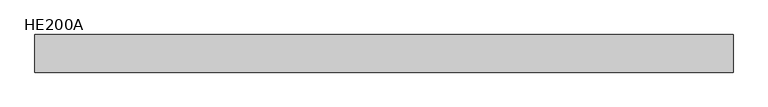
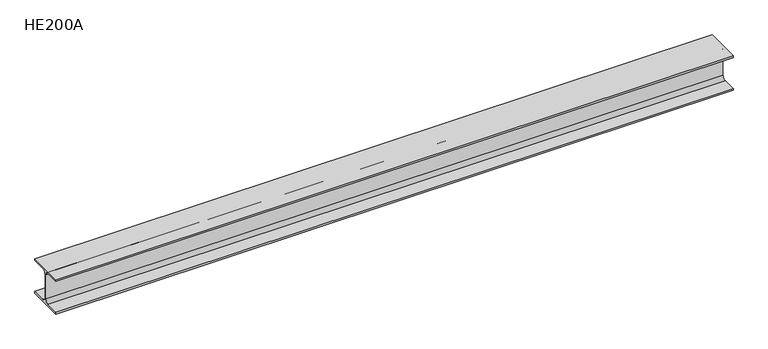
"""IFC4 building model written with IfcOpenShell, lengths in millimetres: beam geometry, HE200A."""

import ifcopenshell
import ifcopenshell.guid

model = None  # the IFC model being written
_history = None  # IfcOwnerHistory: only IFC2X3 demands one
_inside = {}  # id of a spatial element -> (the spatial element, [elements in it])
_under = {}  # id of a project, library or spatial element -> (it, [spatial elements below it])
_declared = {}  # id of a project -> (the project, [libraries it declares])
_typed = {}  # id of a type object -> (the type object, [elements of that type])
_made_of = {}  # id of a material, layer set ... -> (it, [elements and type objects made of it])


def new_model(schema):
    """Start an empty IFC model of exactly this schema.

    Asked for "IFC4X3", IfcOpenShell would pick the latest addendum, in which some entities
    have other attributes; the version numbers below select the first issue.
    IFC2X3 requires an IfcOwnerHistory on every rooted entity: one is made here for all.
    """
    global model, _history
    if schema == "IFC4X3":
        model = ifcopenshell.file(schema_version=(4, 3, 0, 0))
    else:
        model = ifcopenshell.file(schema=schema)
    _inside.clear()
    _under.clear()
    _declared.clear()
    _typed.clear()
    _made_of.clear()
    _history = None
    if model.schema == "IFC2X3":
        org = make("IfcOrganization", Name="unknown")
        user = make(
            "IfcPersonAndOrganization",
            ThePerson=make("IfcPerson", FamilyName="unknown"),
            TheOrganization=org,
        )
        app = make(
            "IfcApplication",
            ApplicationDeveloper=org,
            Version="unknown",
            ApplicationFullName="unknown",
            ApplicationIdentifier="unknown",
        )
        _history = make(
            "IfcOwnerHistory",
            OwningUser=user,
            OwningApplication=app,
            ChangeAction="ADDED",
            CreationDate=0,
        )
    return model


def make(cls, **values):
    """One entity of the class cls with the attributes given. An attribute that is None is left unset."""
    return model.create_entity(
        cls, **{name: value for name, value in values.items() if value is not None}
    )


def rooted(cls, **values):
    """An entity with a GlobalId (a new one), such as an element, a storey or a relation."""
    return make(cls, GlobalId=ifcopenshell.guid.new(), OwnerHistory=_history, **values)


def si_unit(unit_type, name, prefix=None):
    """IfcSIUnit, for example si_unit("LENGTHUNIT", "METRE", prefix="MILLI")."""
    return make("IfcSIUnit", UnitType=unit_type, Prefix=prefix, Name=name)


def assignment(units):
    """IfcUnitAssignment: the units of a project."""
    return None if units is None else make("IfcUnitAssignment", Units=units)


def point(xyz):
    """IfcCartesianPoint."""
    return None if xyz is None else make("IfcCartesianPoint", Coordinates=xyz)


def direction(xyz):
    """IfcDirection."""
    return None if xyz is None else make("IfcDirection", DirectionRatios=xyz)


def frame(location, z_axis=None, x_axis=None):
    """IfcAxis2Placement3D, a coordinate frame: its origin and axes. An axis left out is left unset."""
    return make(
        "IfcAxis2Placement3D",
        Location=point(location),
        Axis=direction(z_axis),
        RefDirection=direction(x_axis),
    )


def frame_2d(location, x_axis=None):
    """IfcAxis2Placement2D, a coordinate frame in the plane: its origin and x axis."""
    return make(
        "IfcAxis2Placement2D", Location=point(location), RefDirection=direction(x_axis)
    )


def origin():
    """The frame at (0, 0, 0) with its axes left unset."""
    return frame((0.0, 0.0, 0.0))


def place(relative_to, where):
    """IfcLocalPlacement: puts the frame where relative to a parent placement (None: the world)."""
    return make(
        "IfcLocalPlacement", PlacementRelTo=relative_to, RelativePlacement=where
    )


def context(
    kind, dimensions, precision=None, world=None, true_north=None, identifier=None
):
    """IfcGeometricRepresentationContext, for example the 3D "Model" context."""
    return make(
        "IfcGeometricRepresentationContext",
        ContextIdentifier=identifier,
        ContextType=kind,
        CoordinateSpaceDimension=dimensions,
        Precision=precision,
        WorldCoordinateSystem=world,
        TrueNorth=true_north,
    )


def project(units=None, contexts=None):
    """IfcProject with its units and contexts."""
    return rooted(
        "IfcProject",
        Name="project",
        RepresentationContexts=contexts,
        UnitsInContext=assignment(units),
    )


def spatial(cls, under=None, at=None, **own):
    """A site, building, storey or space (cls), placed at a placement, below another one or the project."""
    s = rooted(cls, ObjectPlacement=at, **own)
    if under is not None:
        _under.setdefault(under.id(), (under, []))[1].append(s)
    return s


def polyline(points):
    """IfcPolyline through the points."""
    return make("IfcPolyline", Points=[point(p) for p in points])


def circle_curve(where, radius):
    """IfcCircle in the frame where."""
    return make("IfcCircle", Position=where, Radius=radius)


def trimmed(basis, trim1, trim2, sense, master):
    """IfcTrimmedCurve: the piece of a basis curve between two trims."""
    return make(
        "IfcTrimmedCurve",
        BasisCurve=basis,
        Trim1=trim1,
        Trim2=trim2,
        SenseAgreement=sense,
        MasterRepresentation=master,
    )


def segment(curve, same_sense, transition):
    """IfcCompositeCurveSegment."""
    return make(
        "IfcCompositeCurveSegment",
        Transition=transition,
        SameSense=same_sense,
        ParentCurve=curve,
    )


def composite_curve(segments, self_intersect=None):
    """IfcCompositeCurve: segments joined end to end."""
    return make("IfcCompositeCurve", Segments=segments, SelfIntersect=self_intersect)


def outline(outer, holes=None, kind="AREA"):
    """IfcArbitraryClosedProfileDef: a profile drawn as a closed curve; with holes, ...WithVoids."""
    if holes is None:
        return make("IfcArbitraryClosedProfileDef", ProfileType=kind, OuterCurve=outer)
    return make(
        "IfcArbitraryProfileDefWithVoids",
        ProfileType=kind,
        OuterCurve=outer,
        InnerCurves=holes,
    )


def extrude(swept, where, along, depth):
    """IfcExtrudedAreaSolid: the profile swept, set in the frame where, extruded along a direction by depth."""
    return make(
        "IfcExtrudedAreaSolid",
        SweptArea=swept,
        Position=where,
        ExtrudedDirection=direction(along),
        Depth=depth,
    )


def shape(context_of_items, identifier, shape_type, items):
    """IfcShapeRepresentation: the items that make up one representation, for example the "Body"."""
    return make(
        "IfcShapeRepresentation",
        ContextOfItems=context_of_items,
        RepresentationIdentifier=identifier,
        RepresentationType=shape_type,
        Items=items,
    )


def source(mapping_origin, context_of_items, identifier, shape_type, items):
    """IfcRepresentationMap: a shape defined once, which mapped items show again and again."""
    return make(
        "IfcRepresentationMap",
        MappingOrigin=mapping_origin,
        MappedRepresentation=shape(context_of_items, identifier, shape_type, items),
    )


def transform(
    local_origin,
    x_axis=None,
    y_axis=None,
    z_axis=None,
    scale=None,
    scale2=None,
    scale3=None,
    uniform=True,
):
    """IfcCartesianTransformationOperator3D, or its non-uniform kind. x_axis, y_axis, z_axis: its Axis1, 2, 3."""
    if uniform:
        return make(
            "IfcCartesianTransformationOperator3D",
            Axis1=direction(x_axis),
            Axis2=direction(y_axis),
            LocalOrigin=point(local_origin),
            Scale=scale,
            Axis3=direction(z_axis),
        )
    return make(
        "IfcCartesianTransformationOperator3DnonUniform",
        Axis1=direction(x_axis),
        Axis2=direction(y_axis),
        LocalOrigin=point(local_origin),
        Scale=scale,
        Axis3=direction(z_axis),
        Scale2=scale2,
        Scale3=scale3,
    )


def mapped(mapping_source, mapping_target):
    """IfcMappedItem: shows the shape of a source again, moved by a transform."""
    return make(
        "IfcMappedItem", MappingSource=mapping_source, MappingTarget=mapping_target
    )


def made_of(thing, what):
    """Note that an element or type object is made of a material, layer set ...; save() writes the relation."""
    if what is not None:
        _made_of.setdefault(what.id(), (what, []))[1].append(thing)
    return thing


def element(
    cls,
    number,
    at=None,
    inside=None,
    cuts=None,
    type_object=None,
    material=None,
    context=None,
    identifier="Body",
    shape_type=None,
    held_by="IfcProductDefinitionShape",
    body=None,
    shapes=None,
    **own,
):
    """One element of the class cls, such as IfcWall. Its Tag is "e" and its number.

    at: its placement. inside: the storey or other place that contains it. cuts: it is an
    opening in that element (IfcRelVoidsElement). A single representation is given by context,
    identifier, shape_type and body (its items); several are given by shapes. held_by: the class
    of the entity that holds the representations. save() writes the other relations.
    """
    e = rooted(cls, Tag="e%d" % number, ObjectPlacement=at, **own)
    if body is not None:
        shapes = [shape(context, identifier, shape_type, body)]
    if shapes is not None:
        e.Representation = make(held_by, Representations=shapes)
    if inside is not None:
        _inside.setdefault(inside.id(), (inside, []))[1].append(e)
    if cuts is not None:
        rooted(
            "IfcRelVoidsElement", RelatingBuildingElement=cuts, RelatedOpeningElement=e
        )
    if type_object is not None:
        _typed.setdefault(type_object.id(), (type_object, []))[1].append(e)
    return made_of(e, material)


def aggregate(whole, parts):
    """IfcRelAggregates: a whole, such as a stair, and the parts it consists of."""
    return rooted("IfcRelAggregates", RelatingObject=whole, RelatedObjects=parts)


def save(model, path):
    """Write the relations noted so far, then the file.

    IfcRelAggregates (storeys below a building ...), IfcRelContainedInSpatialStructure (elements
    in a storey), IfcRelDefinesByType, IfcRelAssociatesMaterial and IfcRelDeclares: one each for
    every whole, place, type object, material and project.
    """
    for whole, parts in _under.values():
        aggregate(whole, parts)
    for where, things in _inside.values():
        rooted(
            "IfcRelContainedInSpatialStructure",
            RelatedElements=things,
            RelatingStructure=where,
        )
    for kind, things in _typed.values():
        rooted("IfcRelDefinesByType", RelatedObjects=things, RelatingType=kind)
    for what, things in _made_of.values():
        rooted("IfcRelAssociatesMaterial", RelatedObjects=things, RelatingMaterial=what)
    for by, libraries in _declared.values():
        rooted("IfcRelDeclares", RelatingContext=by, RelatedDefinitions=libraries)
    model.write(path)


def he200a_33309dc8(model_context):
    return source(origin(), model_context, "Body", "SweptSolid", [
        extrude(outline(composite_curve([segment(polyline([(100.0, -90.0), (100.0, -100.0), (-100.0, -100.0), (-100.0, -90.0), (-24.0, -90.0)]), True, "CONTINUOUS"), segment(trimmed(circle_curve(frame_2d((-24.0, -70.0)), 20.0), [point((-24.0, -90.0))], [point((-4.0, -70.0))], True, "CARTESIAN"), True, "CONTINUOUS"), segment(polyline([(-4.0, -70.0), (-4.0, 70.0)]), True, "CONTINUOUS"), segment(trimmed(circle_curve(frame_2d((-24.0, 70.0)), 20.0), [point((-4.0, 70.0))], [point((-24.0, 90.0))], True, "CARTESIAN"), True, "CONTINUOUS"), segment(polyline([(-24.0, 90.0), (-100.0, 90.0), (-100.0, 100.0), (100.0, 100.0), (100.0, 90.0), (24.0, 90.0)]), True, "CONTINUOUS"), segment(trimmed(circle_curve(frame_2d((24.0, 70.0)), 20.0), [point((24.0, 90.0))], [point((4.0, 70.0))], True, "CARTESIAN"), True, "CONTINUOUS"), segment(polyline([(4.0, 70.0), (4.0, -70.0)]), True, "CONTINUOUS"), segment(trimmed(circle_curve(frame_2d((24.0, -70.0)), 20.0), [point((4.0, -70.0))], [point((24.0, -90.0))], True, "CARTESIAN"), True, "CONTINUOUS"), segment(polyline([(24.0, -90.0), (100.0, -90.0)]), True, "CONTINUOUS")], self_intersect=False)), frame((-1903.5, 0.0, 0.0), z_axis=(1.0, 0.0, 0.0), x_axis=(0.0, 1.0, 0.0)), (0.0, 0.0, 1.0), 3714.0),
    ])


if __name__ == "__main__":
    model = new_model("IFC4")
    model_context = context("Model", 3, world=origin())
    ifc_project = project(units=[si_unit("LENGTHUNIT", "METRE", prefix="MILLI")], contexts=[model_context])
    site = spatial("IfcSite", under=ifc_project)
    building = spatial("IfcBuilding", under=site)
    placement = place(None, origin())
    he200a_shape = he200a_33309dc8(model_context)
    element("IfcBeam", 1, ObjectType="HE200A", at=placement, inside=building, context=model_context, shape_type="MappedRepresentation", body=[
        mapped(he200a_shape, transform((0.0, 0.0, 0.0), x_axis=(1.0, 0.0, 0.0), y_axis=(0.0, 1.0, 0.0), z_axis=(0.0, 0.0, 1.0))),
    ])
    save(model, "model.ifc")
